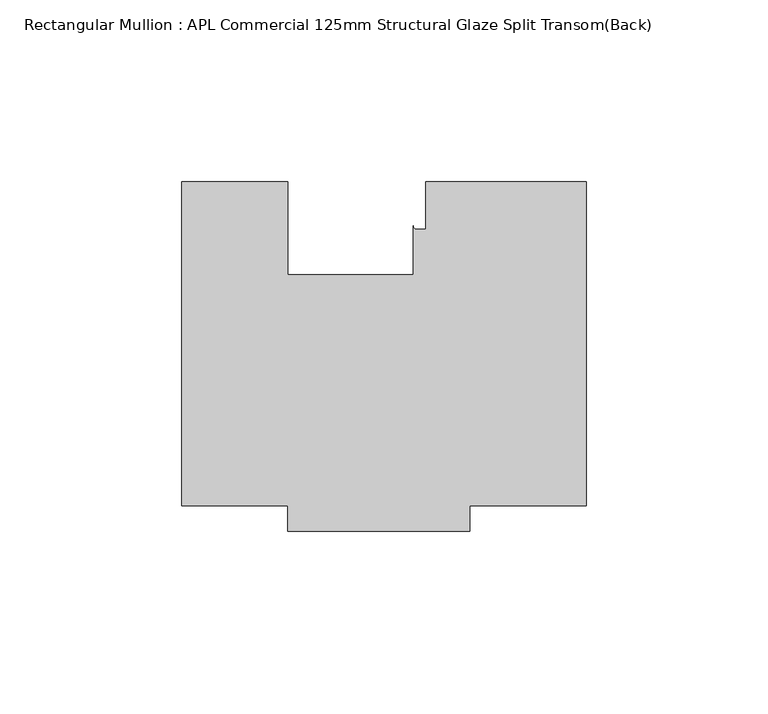
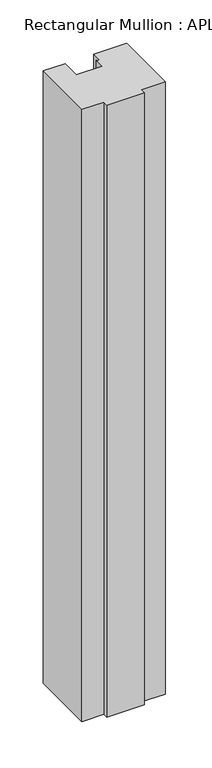
"""IFC4 building model written with IfcOpenShell, lengths in millimetres: member geometry, Rectangular Mullion : APL Commercial 125mm Structural Glaze Split Transom(Back)."""

from ifc_helpers import new_model, si_unit, point, frame, frame_2d, origin, place, context, project, spatial, polyline, circle_curve, trimmed, segment, composite_curve, outline, extrude, source, transform, mapped, element, save


def rectangular_mullion_apl_commercial_125mm_structural_glaze_2068bce4(model_context):
    return source(origin(), model_context, "Body", "SweptSolid", [
        extrude(outline(composite_curve([segment(polyline([(54.0000029, -15.0004617), (54.0000029, -104.0), (22.0028846, -104.0), (22.0028846, -111.0), (-27.9971154, -111.0), (-27.9971154, -103.9999439), (-57.0000004, -103.9999439), (-57.0000004, -15.0001793), (-28.0000482, -15.0001793), (-28.0000482, -40.499932), (6.5000029, -40.499932), (6.5000029, -27.0002131)]), True, "CONTINUOUS"), segment(trimmed(circle_curve(frame_2d((7.5000029, -27.0002131)), 1.0), [point((6.5000029, -27.0002131))], [point((7.5000029, -28.0002131))], True, "CARTESIAN"), True, "CONTINUOUS"), segment(polyline([(7.5000029, -28.0002131), (10.0000029, -28.0002131), (10.0000029, -15.0004617), (54.0000029, -15.0004617)]), True, "CONTINUOUS")], self_intersect=False)), frame((0.0, 0.0, -861.940041), z_axis=(0.0, 0.0, 1.0), x_axis=(1.0, 0.0, 0.0)), (0.0, 0.0, 1.0), 861.940041),
    ])


if __name__ == "__main__":
    model = new_model("IFC4")
    model_context = context("Model", 3, world=origin())
    ifc_project = project(units=[si_unit("LENGTHUNIT", "METRE", prefix="MILLI")], contexts=[model_context])
    site = spatial("IfcSite", under=ifc_project)
    building = spatial("IfcBuilding", under=site)
    placement = place(None, origin())
    rectangular_mullion_apl_commercial_125mm_structural_glaze_shape = rectangular_mullion_apl_commercial_125mm_structural_glaze_2068bce4(model_context)
    element("IfcMember", 1, ObjectType="Rectangular Mullion : APL Commercial 125mm Structural Glaze Split Transom(Back)", at=placement, inside=building, context=model_context, shape_type="MappedRepresentation", body=[
        mapped(rectangular_mullion_apl_commercial_125mm_structural_glaze_shape, transform((0.0, 0.0, 0.0), x_axis=(1.0, 0.0, 0.0), y_axis=(0.0, 1.0, 0.0), z_axis=(0.0, 0.0, 1.0))),
    ])
    save(model, "model.ifc")
